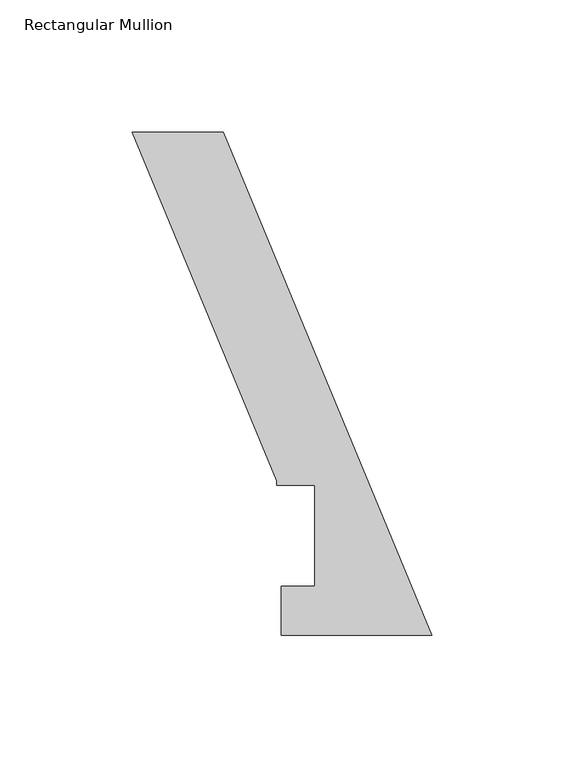
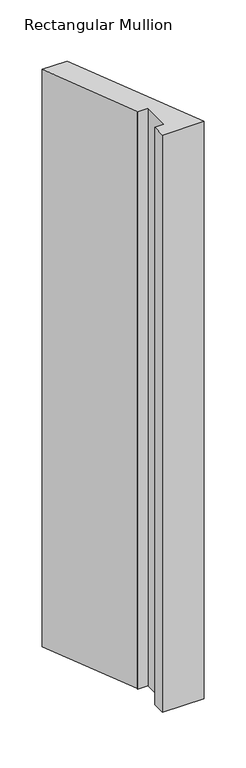
"""IFC4 building model written with IfcOpenShell, lengths in millimetres: member geometry, Rectangular Mullion."""

from ifc_helpers import new_model, si_unit, frame, origin, place, context, project, spatial, polyline, outline, extrude, source, transform, mapped, element, save


def rectangular_mullion_e326a6e8(model_context):
    return source(origin(), model_context, "Body", "SweptSolid", [
        extrude(outline(polyline([(-113.0737365, 190.0039062), (-78.7077842, 190.0039062), (0.0, -0.0134937), (-56.8712246, -0.0134937), (-56.8712246, 18.5539063), (-44.1712246, 18.5539063), (-44.1712246, 56.6539063), (-58.5222246, 56.6539063), (-58.5222246, 58.3049062), (-113.0737365, 190.0039062)])), frame((0.0, 0.0, -838.2), z_axis=(0.0, 0.0, 1.0), x_axis=(1.0, 0.0, 0.0)), (0.0, 0.0, 1.0), 838.2),
    ])


if __name__ == "__main__":
    model = new_model("IFC4")
    model_context = context("Model", 3, world=origin())
    ifc_project = project(units=[si_unit("LENGTHUNIT", "METRE", prefix="MILLI")], contexts=[model_context])
    site = spatial("IfcSite", under=ifc_project)
    building = spatial("IfcBuilding", under=site)
    placement = place(None, origin())
    rectangular_mullion_shape = rectangular_mullion_e326a6e8(model_context)
    element("IfcMember", 1, ObjectType="Rectangular Mullion", at=placement, inside=building, context=model_context, shape_type="MappedRepresentation", body=[
        mapped(rectangular_mullion_shape, transform((0.0, 0.0, 0.0), x_axis=(1.0, 0.0, 0.0), y_axis=(0.0, 1.0, 0.0), z_axis=(0.0, 0.0, 1.0))),
    ])
    save(model, "model.ifc")
